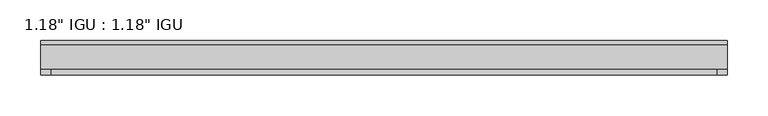
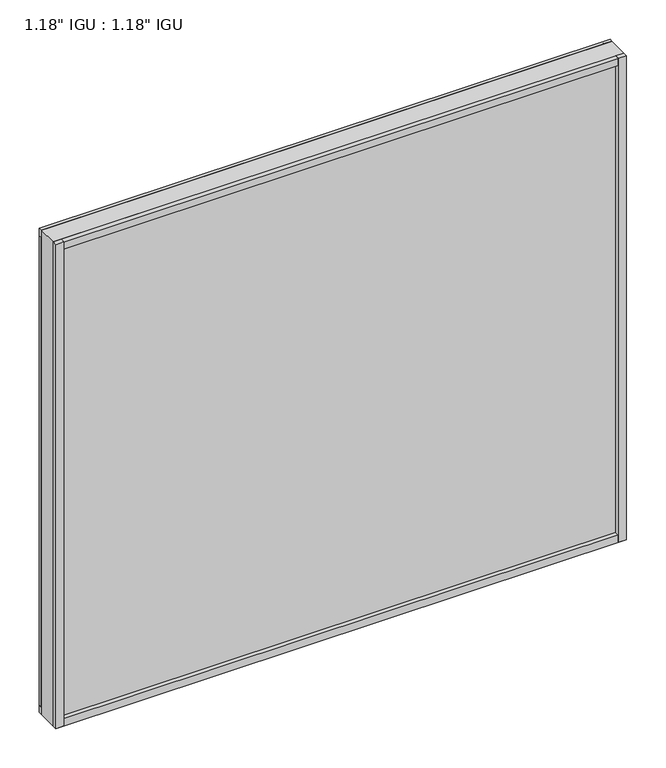
"""IFC4 building model written with IfcOpenShell, lengths in millimetres: plate geometry."""

from ifc_helpers import new_model, si_unit, frame, origin, origin_with_axes, place, context, project, spatial, polyline, outline, extrude, source, transform, mapped, element, save


def plate_fa2cf3b0(model_context):
    return source(origin(), model_context, "Body", "SweptSolid", [
        extrude(outline(polyline([(418.5046875, -9.7647125), (418.5046875, -14.5399125), (-418.5046875, -14.5399125), (-418.5046875, -9.7647125), (418.5046875, -9.7647125)])), origin_with_axes(), (0.0, 0.0, 1.0), 11.1252),
        extrude(outline(polyline([(-418.5046875, -14.5399125), (-418.5046875, -9.7647125), (418.5046875, -9.7647125), (418.5046875, -14.5399125), (-418.5046875, -14.5399125)])), frame((0.0, 0.0, 739.3887476), z_axis=(0.0, 0.0, 1.0), x_axis=(1.0, 0.0, 0.0)), (0.0, 0.0, 1.0), 11.1252),
        extrude(outline(polyline([(418.5046875, -44.6643125), (418.5046875, -51.3953125), (406.3670079, -51.3953125), (406.3670079, -44.6643125), (418.5046875, -44.6643125)])), origin_with_axes(), (0.0, 0.0, 1.0), 750.5139476),
        extrude(outline(polyline([(418.5046875, -9.7765488), (418.5046875, -14.5399125), (406.4922637, -14.5399125), (406.4922637, -9.7765488), (418.5046875, -9.7765488)])), origin_with_axes(), (0.0, 0.0, 1.0), 750.5139476),
        extrude(outline(polyline([(-406.4841104, -51.3953125), (-418.5046875, -51.3953125), (-418.5046875, -44.6643125), (-406.4841104, -44.6643125), (-406.4841104, -51.3953125)])), origin_with_axes(), (0.0, 0.0, 1.0), 750.5139476),
        extrude(outline(polyline([(-406.4841104, -14.5399125), (-418.5046875, -14.5399125), (-418.5046875, -9.7647125), (-406.4841104, -9.7647125), (-406.4841104, -14.5399125)])), origin_with_axes(), (0.0, 0.0, 1.0), 750.5139476),
        extrude(outline(polyline([(418.5046875, -44.6643125), (418.5046875, -51.3953125), (-418.5046875, -51.3953125), (-418.5046875, -44.6643125), (418.5046875, -44.6643125)])), origin_with_axes(), (0.0, 0.0, 1.0), 11.1693096),
        extrude(outline(polyline([(418.5046875, -44.6643125), (418.5046875, -51.3953125), (-418.5046875, -51.3953125), (-418.5046875, -44.6643125), (418.5046875, -44.6643125)])), frame((0.0, 0.0, 739.3328418), z_axis=(0.0, 0.0, 1.0), x_axis=(1.0, 0.0, 0.0)), (0.0, 0.0, 1.0), 11.1811058),
        extrude(outline(polyline([(418.5046875, -44.6643125), (-418.5046875, -44.6643125), (-418.5046875, -14.5399125), (418.5046875, -14.5399125), (418.5046875, -44.6643125)])), origin_with_axes(), (0.0, 0.0, 1.0), 750.5139476),
    ])


if __name__ == "__main__":
    model = new_model("IFC4")
    model_context = context("Model", 3, world=origin())
    ifc_project = project(units=[si_unit("LENGTHUNIT", "METRE", prefix="MILLI")], contexts=[model_context])
    site = spatial("IfcSite", under=ifc_project)
    building = spatial("IfcBuilding", under=site)
    placement = place(None, origin())
    plate_shape = plate_fa2cf3b0(model_context)
    element("IfcPlate", 1, ObjectType="1.18\" IGU : 1.18\" IGU", at=placement, inside=building, context=model_context, shape_type="MappedRepresentation", body=[
        mapped(plate_shape, transform((0.0, 0.0, 0.0), x_axis=(1.0, 0.0, 0.0), y_axis=(0.0, 1.0, 0.0), z_axis=(0.0, 0.0, 1.0))),
    ])
    save(model, "model.ifc")
